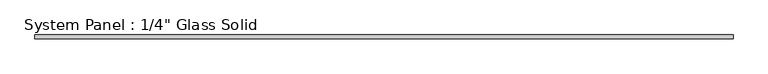
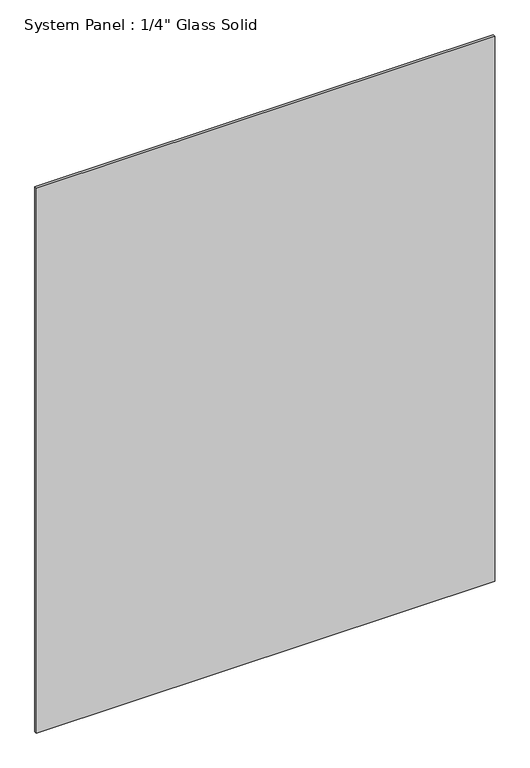
"""IFC4 building model written with IfcOpenShell, lengths in millimetres: plate geometry."""

from ifc_helpers import new_model, si_unit, origin, origin_with_axes, place, context, project, spatial, polyline, outline, extrude, source, transform, mapped, element, save


def plate_f577437a(model_context):
    return source(origin(), model_context, "Body", "SweptSolid", [
        extrude(outline(polyline([(577.8508852, -3.175), (-577.8508852, -3.175), (-577.8508852, 3.175), (577.8508852, 3.175), (577.8508852, -3.175)])), origin_with_axes(), (0.0, 0.0, 1.0), 1452.8817704),
    ])


if __name__ == "__main__":
    model = new_model("IFC4")
    model_context = context("Model", 3, world=origin())
    ifc_project = project(units=[si_unit("LENGTHUNIT", "METRE", prefix="MILLI")], contexts=[model_context])
    site = spatial("IfcSite", under=ifc_project)
    building = spatial("IfcBuilding", under=site)
    placement = place(None, origin())
    plate_shape = plate_f577437a(model_context)
    element("IfcPlate", 1, ObjectType="System Panel : 1/4\" Glass Solid", at=placement, inside=building, context=model_context, shape_type="MappedRepresentation", body=[
        mapped(plate_shape, transform((0.0, 0.0, 0.0), x_axis=(1.0, 0.0, 0.0), y_axis=(0.0, 1.0, 0.0), z_axis=(0.0, 0.0, 1.0))),
    ])
    save(model, "model.ifc")
